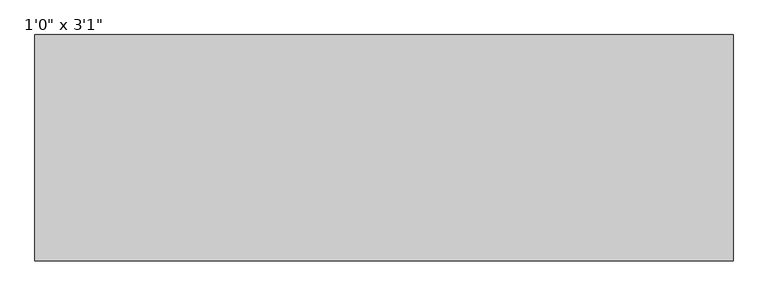
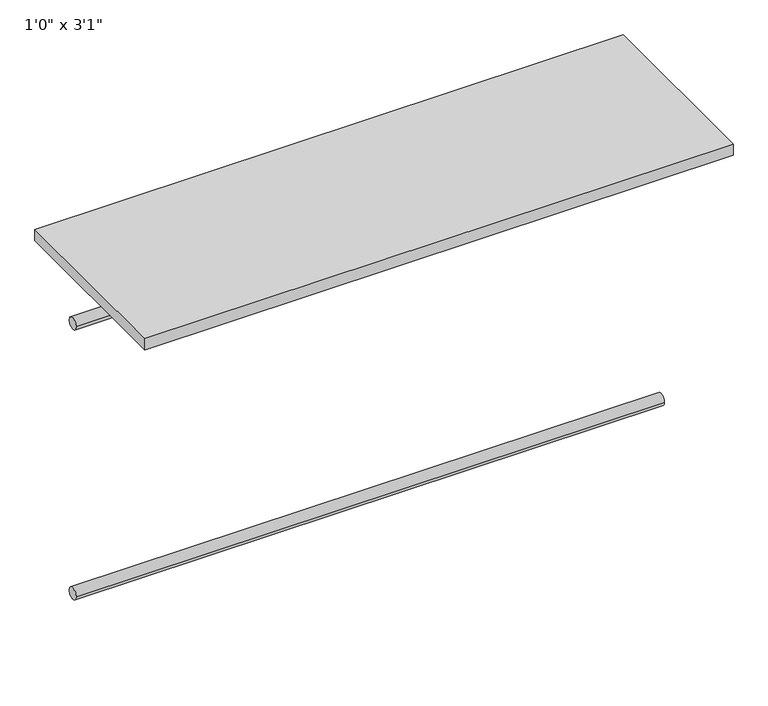
"""IFC4 building model written with IfcOpenShell, lengths in millimetres: furniture geometry."""

from ifc_helpers import new_model, si_unit, point, frame, frame_2d, origin, origin_with_axes, place, context, project, spatial, polyline, circle_curve, trimmed, segment, composite_curve, outline, extrude, source, transform, mapped, element, save


def furniture_c97fa279(model_context):
    return source(origin(), model_context, "Body", "SweptSolid", [
        extrude(outline(composite_curve([segment(trimmed(circle_curve(frame_2d((-342.9, -711.2)), 12.7), [point((-330.2, -711.2))], [point((-355.6, -711.2))], False, "CARTESIAN"), True, "CONTINUOUS"), segment(trimmed(circle_curve(frame_2d((-342.9, -711.2)), 12.7), [point((-355.6, -711.2))], [point((-330.2, -711.2))], False, "CARTESIAN"), True, "CONTINUOUS")], self_intersect=False)), frame((-608.6060451, 0.0, 0.0), z_axis=(1.0, 0.0, 0.0), x_axis=(0.0, 1.0, 0.0)), (0.0, 0.0, 1.0), 1254.6875),
        extrude(outline(composite_curve([segment(trimmed(circle_curve(frame_2d((-342.9, -101.6)), 12.7), [point((-330.2, -101.6))], [point((-355.6, -101.6))], False, "CARTESIAN"), True, "CONTINUOUS"), segment(trimmed(circle_curve(frame_2d((-342.9, -101.6)), 12.7), [point((-355.6, -101.6))], [point((-330.2, -101.6))], False, "CARTESIAN"), True, "CONTINUOUS")], self_intersect=False)), frame((-608.6060451, 0.0, 0.0), z_axis=(1.0, 0.0, 0.0), x_axis=(0.0, 1.0, 0.0)), (0.0, 0.0, 1.0), 1254.6875),
        extrude(outline(polyline([(646.0814549, -203.2), (646.0814549, -609.6), (-608.6060451, -609.6), (-608.6060451, -203.2), (646.0814549, -203.2)])), origin_with_axes(), (0.0, 0.0, 1.0), 25.4),
    ])


if __name__ == "__main__":
    model = new_model("IFC4")
    model_context = context("Model", 3, world=origin())
    ifc_project = project(units=[si_unit("LENGTHUNIT", "METRE", prefix="MILLI")], contexts=[model_context])
    site = spatial("IfcSite", under=ifc_project)
    building = spatial("IfcBuilding", under=site)
    placement = place(None, origin())
    furniture_shape = furniture_c97fa279(model_context)
    element("IfcFurniture", 1, ObjectType="1'0\" x 3'1\"", at=placement, inside=building, context=model_context, shape_type="MappedRepresentation", body=[
        mapped(furniture_shape, transform((0.0, 0.0, 0.0), x_axis=(1.0, 0.0, 0.0), y_axis=(0.0, 1.0, 0.0), z_axis=(0.0, 0.0, 1.0))),
    ])
    save(model, "model.ifc")
